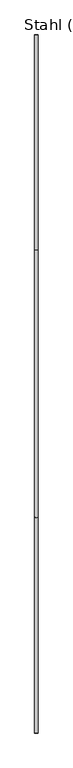
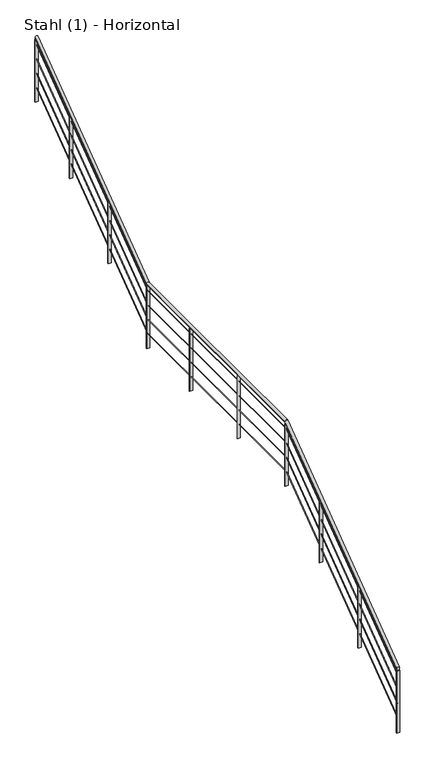
"""IFC4 building model written with IfcOpenShell, lengths in millimetres: railing geometry, Stahl (1) - Horizontal."""

from ifc_helpers import new_model, si_unit, frame, origin, place, context, project, spatial, polyline, ellipse_curve, outline, extrude, source, transform, mapped, element, save
from ifc_brep_helpers import plane_surface, cylinder_surface, advanced_brep


def stahl_1_horizontal_17d473a8(model_context):
    return source(origin(), model_context, "Body", "SolidModel", [
        advanced_brep(
        [(34742.3888375, 17140.3990241, 4785.0587002), (34782.3888375, 17140.3990241, 4785.0587002), (34742.3888375, 19697.0307686, 6690.0), (34782.3888375, 19697.0307686, 6690.0), (34742.3888375, 22869.8979331, 6690.0), (34782.3888375, 22869.8979331, 6690.0), (34742.3888375, 25413.2661887, 8585.0587002), (34782.3888375, 25413.2661887, 8585.0587002)],
        [
            (0, 1, ellipse_curve(frame((34762.3888375, 17140.3990241, 4785.0587002), z_axis=(0.0, -1.0, 0.0), x_axis=(0.0, 0.0, -1.0)), 24.9412998, 20.0)),
            (1, 0, ellipse_curve(frame((34762.3888375, 17140.3990241, 4785.0587002), z_axis=(0.0, -1.0, 0.0), x_axis=(0.0, 0.0, -1.0)), 24.9412998, 20.0)),
            (0, 2),
            (2, 3, ellipse_curve(frame((34762.3888375, 19697.0307686, 6690.0), z_axis=(0.0, -0.9491793370099771, -0.31473574025410656), x_axis=(0.0, 0.3147357402541069, -0.9491793370099768)), 21.0708337, 20.0)),
            (3, 1),
            (3, 2, ellipse_curve(frame((34762.3888375, 19697.0307686, 6690.0), z_axis=(0.0, -0.9491793370099771, -0.31473574025410656), x_axis=(0.0, 0.3147357402541069, -0.9491793370099768)), 21.0708337, 20.0)),
            (2, 4),
            (4, 5, ellipse_curve(frame((34762.3888375, 22869.8979331, 6690.0), z_axis=(0.0, -0.9491793370099771, -0.3147357402541062), x_axis=(0.0, -0.3147357402541062, 0.9491793370099771)), 21.0708337, 20.0)),
            (5, 3),
            (5, 4, ellipse_curve(frame((34762.3888375, 22869.8979331, 6690.0), z_axis=(0.0, -0.9491793370099771, -0.3147357402541062), x_axis=(0.0, -0.3147357402541062, 0.9491793370099771)), 21.0708337, 20.0)),
            (6, 7, ellipse_curve(frame((34762.3888375, 25413.2661887, 8585.0587002), z_axis=(0.0, 1.0, 0.0), x_axis=(0.0, 0.0, -1.0)), 24.9412998, 20.0)),
            (7, 6, ellipse_curve(frame((34762.3888375, 25413.2661887, 8585.0587002), z_axis=(0.0, 1.0, 0.0), x_axis=(0.0, 0.0, -1.0)), 24.9412998, 20.0)),
            (4, 6),
            (7, 5),
        ],
        [
            plane_surface(frame((34762.3888375, 17140.3990241, 4810.0), z_axis=(0.0, -1.0, 0.0), x_axis=(0.0, 0.0, 1.0))),
            cylinder_surface(frame((34762.3888375, 17152.3486506, 4793.9623434), z_axis=(0.0, -0.8018828276133991, -0.5974813225354744), x_axis=(1.0, 0.0, 0.0)), 20.0),
            cylinder_surface(frame((34762.3888375, 19690.3990241, 6690.0), z_axis=(0.0, -1.0, 0.0), x_axis=(1.0, 0.0, 0.0)), 20.0),
            plane_surface(frame((34762.3888375, 25413.2661887, 8610.0), z_axis=(0.0, 1.0, 0.0), x_axis=(0.0, 0.0, 1.0))),
            cylinder_surface(frame((34762.3888375, 22875.2158151, 6693.9623434), z_axis=(0.0, -0.8018828276133996, -0.5974813225354738), x_axis=(1.0, 0.0, 0.0)), 20.0),
        ],
        [
            (0, [[1, 2]]),
            (1, [[-1, 3, 4, 5]]),
            (1, [[-2, -5, 6, -3]]),
            (2, [[-4, 7, 8, 9]]),
            (2, [[-6, -9, 10, -7]]),
            (3, [[11, 12]]),
            (4, [[-8, 13, -12, 14]]),
            (4, [[-10, -14, -11, -13]]),
        ],
    ),
        advanced_brep(
        [(34760.8888375, 17140.3990241, 4688.1294025), (34763.8888375, 17140.3990241, 4688.1294025), (34760.8888375, 19690.8964049, 6588.5), (34763.8888375, 19690.8964049, 6588.5), (34760.8888375, 22863.7635695, 6588.5), (34763.8888375, 22863.7635695, 6588.5), (34760.8888375, 25413.2661887, 8488.1294025), (34763.8888375, 25413.2661887, 8488.1294025)],
        [
            (0, 1, ellipse_curve(frame((34762.3888375, 17140.3990241, 4688.1294025), z_axis=(0.0, -1.0, 0.0), x_axis=(0.0, 0.0, -1.0)), 1.8705975, 1.5)),
            (1, 0, ellipse_curve(frame((34762.3888375, 17140.3990241, 4688.1294025), z_axis=(0.0, -1.0, 0.0), x_axis=(0.0, 0.0, -1.0)), 1.8705975, 1.5)),
            (0, 2),
            (2, 3, ellipse_curve(frame((34762.3888375, 19690.8964049, 6588.5), z_axis=(0.0, -0.9491793370099771, -0.31473574025410656), x_axis=(0.0, 0.3147357402541069, -0.9491793370099768)), 1.5803125, 1.5)),
            (3, 1),
            (3, 2, ellipse_curve(frame((34762.3888375, 19690.8964049, 6588.5), z_axis=(0.0, -0.9491793370099771, -0.31473574025410656), x_axis=(0.0, 0.3147357402541069, -0.9491793370099768)), 1.5803125, 1.5)),
            (2, 4),
            (4, 5, ellipse_curve(frame((34762.3888375, 22863.7635695, 6588.5), z_axis=(0.0, -0.9491793370099771, -0.3147357402541062), x_axis=(0.0, -0.3147357402541062, 0.9491793370099771)), 1.5803125, 1.5)),
            (5, 3),
            (5, 4, ellipse_curve(frame((34762.3888375, 22863.7635695, 6588.5), z_axis=(0.0, -0.9491793370099771, -0.3147357402541062), x_axis=(0.0, -0.3147357402541062, 0.9491793370099771)), 1.5803125, 1.5)),
            (6, 7, ellipse_curve(frame((34762.3888375, 25413.2661887, 8488.1294025), z_axis=(0.0, 1.0, 0.0), x_axis=(0.0, 0.0, -1.0)), 1.8705975, 1.5)),
            (7, 6, ellipse_curve(frame((34762.3888375, 25413.2661887, 8488.1294025), z_axis=(0.0, 1.0, 0.0), x_axis=(0.0, 0.0, -1.0)), 1.8705975, 1.5)),
            (4, 6),
            (7, 5),
        ],
        [
            plane_surface(frame((34762.3888375, 17140.3990241, 4690.0), z_axis=(0.0, -1.0, 0.0), x_axis=(0.0, 0.0, 1.0))),
            cylinder_surface(frame((34762.3888375, 17141.2952461, 4688.7971758), z_axis=(0.0, -0.8018828276133991, -0.5974813225354744), x_axis=(1.0, 0.0, 0.0)), 1.5),
            cylinder_surface(frame((34762.3888375, 19690.3990241, 6588.5), z_axis=(0.0, -1.0, 0.0), x_axis=(1.0, 0.0, 0.0)), 1.5),
            plane_surface(frame((34762.3888375, 25413.2661887, 8490.0), z_axis=(0.0, 1.0, 0.0), x_axis=(0.0, 0.0, 1.0))),
            cylinder_surface(frame((34762.3888375, 22864.1624107, 6588.7971758), z_axis=(0.0, -0.8018828276133996, -0.5974813225354738), x_axis=(1.0, 0.0, 0.0)), 1.5),
        ],
        [
            (0, [[1, 2]]),
            (1, [[-1, 3, 4, 5]]),
            (1, [[-2, -5, 6, -3]]),
            (2, [[-4, 7, 8, 9]]),
            (2, [[-6, -9, 10, -7]]),
            (3, [[11, 12]]),
            (4, [[-8, 13, -12, 14]]),
            (4, [[-10, -14, -11, -13]]),
        ],
    ),
        advanced_brep(
        [(34760.8888375, 17140.3990241, 4488.1294025), (34763.8888375, 17140.3990241, 4488.1294025), (34760.8888375, 19690.8964049, 6388.5), (34763.8888375, 19690.8964049, 6388.5), (34760.8888375, 22863.7635695, 6388.5), (34763.8888375, 22863.7635695, 6388.5), (34760.8888375, 25413.2661887, 8288.1294025), (34763.8888375, 25413.2661887, 8288.1294025)],
        [
            (0, 1, ellipse_curve(frame((34762.3888375, 17140.3990241, 4488.1294025), z_axis=(0.0, -1.0, 0.0), x_axis=(0.0, 0.0, -1.0)), 1.8705975, 1.5)),
            (1, 0, ellipse_curve(frame((34762.3888375, 17140.3990241, 4488.1294025), z_axis=(0.0, -1.0, 0.0), x_axis=(0.0, 0.0, -1.0)), 1.8705975, 1.5)),
            (0, 2),
            (2, 3, ellipse_curve(frame((34762.3888375, 19690.8964049, 6388.5), z_axis=(0.0, -0.9491793370099771, -0.31473574025410656), x_axis=(0.0, 0.3147357402541069, -0.9491793370099768)), 1.5803125, 1.5)),
            (3, 1),
            (3, 2, ellipse_curve(frame((34762.3888375, 19690.8964049, 6388.5), z_axis=(0.0, -0.9491793370099771, -0.31473574025410656), x_axis=(0.0, 0.3147357402541069, -0.9491793370099768)), 1.5803125, 1.5)),
            (2, 4),
            (4, 5, ellipse_curve(frame((34762.3888375, 22863.7635695, 6388.5), z_axis=(0.0, -0.9491793370099771, -0.3147357402541062), x_axis=(0.0, -0.3147357402541062, 0.9491793370099771)), 1.5803125, 1.5)),
            (5, 3),
            (5, 4, ellipse_curve(frame((34762.3888375, 22863.7635695, 6388.5), z_axis=(0.0, -0.9491793370099771, -0.3147357402541062), x_axis=(0.0, -0.3147357402541062, 0.9491793370099771)), 1.5803125, 1.5)),
            (6, 7, ellipse_curve(frame((34762.3888375, 25413.2661887, 8288.1294025), z_axis=(0.0, 1.0, 0.0), x_axis=(0.0, 0.0, -1.0)), 1.8705975, 1.5)),
            (7, 6, ellipse_curve(frame((34762.3888375, 25413.2661887, 8288.1294025), z_axis=(0.0, 1.0, 0.0), x_axis=(0.0, 0.0, -1.0)), 1.8705975, 1.5)),
            (4, 6),
            (7, 5),
        ],
        [
            plane_surface(frame((34762.3888375, 17140.3990241, 4490.0), z_axis=(0.0, -1.0, 0.0), x_axis=(0.0, 0.0, 1.0))),
            cylinder_surface(frame((34762.3888375, 17141.2952461, 4488.7971758), z_axis=(0.0, -0.8018828276133991, -0.5974813225354744), x_axis=(1.0, 0.0, 0.0)), 1.5),
            cylinder_surface(frame((34762.3888375, 19690.3990241, 6388.5), z_axis=(0.0, -1.0, 0.0), x_axis=(1.0, 0.0, 0.0)), 1.5),
            plane_surface(frame((34762.3888375, 25413.2661887, 8290.0), z_axis=(0.0, 1.0, 0.0), x_axis=(0.0, 0.0, 1.0))),
            cylinder_surface(frame((34762.3888375, 22864.1624107, 6388.7971758), z_axis=(0.0, -0.8018828276133996, -0.5974813225354738), x_axis=(1.0, 0.0, 0.0)), 1.5),
        ],
        [
            (0, [[1, 2]]),
            (1, [[-1, 3, 4, 5]]),
            (1, [[-2, -5, 6, -3]]),
            (2, [[-4, 7, 8, 9]]),
            (2, [[-6, -9, 10, -7]]),
            (3, [[11, 12]]),
            (4, [[-8, 13, -12, 14]]),
            (4, [[-10, -14, -11, -13]]),
        ],
    ),
        advanced_brep(
        [(34760.8888375, 17140.3990241, 4288.1294025), (34763.8888375, 17140.3990241, 4288.1294025), (34760.8888375, 19690.8964049, 6188.5), (34763.8888375, 19690.8964049, 6188.5), (34760.8888375, 22863.7635695, 6188.5), (34763.8888375, 22863.7635695, 6188.5), (34760.8888375, 25413.2661887, 8088.1294025), (34763.8888375, 25413.2661887, 8088.1294025)],
        [
            (0, 1, ellipse_curve(frame((34762.3888375, 17140.3990241, 4288.1294025), z_axis=(0.0, -1.0, 0.0), x_axis=(0.0, 0.0, -1.0)), 1.8705975, 1.5)),
            (1, 0, ellipse_curve(frame((34762.3888375, 17140.3990241, 4288.1294025), z_axis=(0.0, -1.0, 0.0), x_axis=(0.0, 0.0, -1.0)), 1.8705975, 1.5)),
            (0, 2),
            (2, 3, ellipse_curve(frame((34762.3888375, 19690.8964049, 6188.5), z_axis=(0.0, -0.9491793370099771, -0.31473574025410656), x_axis=(0.0, 0.3147357402541069, -0.9491793370099768)), 1.5803125, 1.5)),
            (3, 1),
            (3, 2, ellipse_curve(frame((34762.3888375, 19690.8964049, 6188.5), z_axis=(0.0, -0.9491793370099771, -0.31473574025410656), x_axis=(0.0, 0.3147357402541069, -0.9491793370099768)), 1.5803125, 1.5)),
            (2, 4),
            (4, 5, ellipse_curve(frame((34762.3888375, 22863.7635695, 6188.5), z_axis=(0.0, -0.9491793370099771, -0.3147357402541062), x_axis=(0.0, -0.3147357402541062, 0.9491793370099771)), 1.5803125, 1.5)),
            (5, 3),
            (5, 4, ellipse_curve(frame((34762.3888375, 22863.7635695, 6188.5), z_axis=(0.0, -0.9491793370099771, -0.3147357402541062), x_axis=(0.0, -0.3147357402541062, 0.9491793370099771)), 1.5803125, 1.5)),
            (6, 7, ellipse_curve(frame((34762.3888375, 25413.2661887, 8088.1294025), z_axis=(0.0, 1.0, 0.0), x_axis=(0.0, 0.0, -1.0)), 1.8705975, 1.5)),
            (7, 6, ellipse_curve(frame((34762.3888375, 25413.2661887, 8088.1294025), z_axis=(0.0, 1.0, 0.0), x_axis=(0.0, 0.0, -1.0)), 1.8705975, 1.5)),
            (4, 6),
            (7, 5),
        ],
        [
            plane_surface(frame((34762.3888375, 17140.3990241, 4290.0), z_axis=(0.0, -1.0, 0.0), x_axis=(0.0, 0.0, 1.0))),
            cylinder_surface(frame((34762.3888375, 17141.2952461, 4288.7971758), z_axis=(0.0, -0.8018828276133991, -0.5974813225354744), x_axis=(1.0, 0.0, 0.0)), 1.5),
            cylinder_surface(frame((34762.3888375, 19690.3990241, 6188.5), z_axis=(0.0, -1.0, 0.0), x_axis=(1.0, 0.0, 0.0)), 1.5),
            plane_surface(frame((34762.3888375, 25413.2661887, 8090.0), z_axis=(0.0, 1.0, 0.0), x_axis=(0.0, 0.0, 1.0))),
            cylinder_surface(frame((34762.3888375, 22864.1624107, 6188.7971758), z_axis=(0.0, -0.8018828276133996, -0.5974813225354738), x_axis=(1.0, 0.0, 0.0)), 1.5),
        ],
        [
            (0, [[1, 2]]),
            (1, [[-1, 3, 4, 5]]),
            (1, [[-2, -5, 6, -3]]),
            (2, [[-4, 7, 8, 9]]),
            (2, [[-6, -9, 10, -7]]),
            (3, [[11, 12]]),
            (4, [[-8, 13, -12, 14]]),
            (4, [[-10, -14, -11, -13]]),
        ],
    ),
        advanced_brep(
        [(34760.8888375, 17140.3990241, 4088.1294025), (34763.8888375, 17140.3990241, 4088.1294025), (34760.8888375, 19690.8964049, 5988.5), (34763.8888375, 19690.8964049, 5988.5), (34760.8888375, 22863.7635695, 5988.5), (34763.8888375, 22863.7635695, 5988.5), (34760.8888375, 25413.2661887, 7888.1294025), (34763.8888375, 25413.2661887, 7888.1294025)],
        [
            (0, 1, ellipse_curve(frame((34762.3888375, 17140.3990241, 4088.1294025), z_axis=(0.0, -1.0, 0.0), x_axis=(0.0, 0.0, -1.0)), 1.8705975, 1.5)),
            (1, 0, ellipse_curve(frame((34762.3888375, 17140.3990241, 4088.1294025), z_axis=(0.0, -1.0, 0.0), x_axis=(0.0, 0.0, -1.0)), 1.8705975, 1.5)),
            (0, 2),
            (2, 3, ellipse_curve(frame((34762.3888375, 19690.8964049, 5988.5), z_axis=(0.0, -0.9491793370099771, -0.31473574025410656), x_axis=(0.0, 0.3147357402541069, -0.9491793370099768)), 1.5803125, 1.5)),
            (3, 1),
            (3, 2, ellipse_curve(frame((34762.3888375, 19690.8964049, 5988.5), z_axis=(0.0, -0.9491793370099771, -0.31473574025410656), x_axis=(0.0, 0.3147357402541069, -0.9491793370099768)), 1.5803125, 1.5)),
            (2, 4),
            (4, 5, ellipse_curve(frame((34762.3888375, 22863.7635695, 5988.5), z_axis=(0.0, -0.9491793370099771, -0.3147357402541062), x_axis=(0.0, -0.3147357402541062, 0.9491793370099771)), 1.5803125, 1.5)),
            (5, 3),
            (5, 4, ellipse_curve(frame((34762.3888375, 22863.7635695, 5988.5), z_axis=(0.0, -0.9491793370099771, -0.3147357402541062), x_axis=(0.0, -0.3147357402541062, 0.9491793370099771)), 1.5803125, 1.5)),
            (6, 7, ellipse_curve(frame((34762.3888375, 25413.2661887, 7888.1294025), z_axis=(0.0, 1.0, 0.0), x_axis=(0.0, 0.0, -1.0)), 1.8705975, 1.5)),
            (7, 6, ellipse_curve(frame((34762.3888375, 25413.2661887, 7888.1294025), z_axis=(0.0, 1.0, 0.0), x_axis=(0.0, 0.0, -1.0)), 1.8705975, 1.5)),
            (4, 6),
            (7, 5),
        ],
        [
            plane_surface(frame((34762.3888375, 17140.3990241, 4090.0), z_axis=(0.0, -1.0, 0.0), x_axis=(0.0, 0.0, 1.0))),
            cylinder_surface(frame((34762.3888375, 17141.2952461, 4088.7971758), z_axis=(0.0, -0.8018828276133991, -0.5974813225354744), x_axis=(1.0, 0.0, 0.0)), 1.5),
            cylinder_surface(frame((34762.3888375, 19690.3990241, 5988.5), z_axis=(0.0, -1.0, 0.0), x_axis=(1.0, 0.0, 0.0)), 1.5),
            plane_surface(frame((34762.3888375, 25413.2661887, 7890.0), z_axis=(0.0, 1.0, 0.0), x_axis=(0.0, 0.0, 1.0))),
            cylinder_surface(frame((34762.3888375, 22864.1624107, 5988.7971758), z_axis=(0.0, -0.8018828276133996, -0.5974813225354738), x_axis=(1.0, 0.0, 0.0)), 1.5),
        ],
        [
            (0, [[1, 2]]),
            (1, [[-1, 3, 4, 5]]),
            (1, [[-2, -5, 6, -3]]),
            (2, [[-4, 7, 8, 9]]),
            (2, [[-6, -9, 10, -7]]),
            (3, [[11, 12]]),
            (4, [[-8, 13, -12, 14]]),
            (4, [[-10, -14, -11, -13]]),
        ],
    ),
        extrude(outline(polyline([(24617.8868783, 7100.3448276), (24617.8868783, 7967.4818358), (24625.8868783, 7973.4426202), (24625.8868783, 7100.3448276), (24617.8868783, 7100.3448276)])), frame((34742.3888375, 0.0, 0.0), z_axis=(1.0, 0.0, 0.0), x_axis=(0.0, 1.0, 0.0)), (0.0, 0.0, 1.0), 40.0),
        extrude(outline(polyline([(23738.5765335, 6445.1724138), (23738.5765335, 7312.3094221), (23746.5765335, 7318.2702064), (23746.5765335, 6445.1724138), (23738.5765335, 6445.1724138)])), frame((34742.3888375, 0.0, 0.0), z_axis=(1.0, 0.0, 0.0), x_axis=(0.0, 1.0, 0.0)), (0.0, 0.0, 1.0), 40.0),
        extrude(outline(polyline([(34782.3888375, 21874.5832755), (34742.3888375, 21874.5832755), (34742.3888375, 21882.5832755), (34782.3888375, 21882.5832755), (34782.3888375, 21874.5832755)])), frame((0.0, 0.0, 5790.0), z_axis=(0.0, 0.0, 1.0), x_axis=(1.0, 0.0, 0.0)), (0.0, 0.0, 1.0), 880.0),
        extrude(outline(polyline([(34782.3888375, 20780.4911498), (34742.3888375, 20780.4911498), (34742.3888375, 20788.4911498), (34782.3888375, 20788.4911498), (34782.3888375, 20780.4911498)])), frame((0.0, 0.0, 5790.0), z_axis=(0.0, 0.0, 1.0), x_axis=(1.0, 0.0, 0.0)), (0.0, 0.0, 1.0), 880.0),
        extrude(outline(polyline([(18895.0197138, 5200.3448276), (18895.0197138, 6067.4818358), (18903.0197138, 6073.4426202), (18903.0197138, 5200.3448276), (18895.0197138, 5200.3448276)])), frame((34742.3888375, 0.0, 0.0), z_axis=(1.0, 0.0, 0.0), x_axis=(0.0, 1.0, 0.0)), (0.0, 0.0, 1.0), 40.0),
        extrude(outline(polyline([(18015.7093689, 4545.1724138), (18015.7093689, 5412.3094221), (18023.7093689, 5418.2702064), (18023.7093689, 4545.1724138), (18015.7093689, 4545.1724138)])), frame((34742.3888375, 0.0, 0.0), z_axis=(1.0, 0.0, 0.0), x_axis=(0.0, 1.0, 0.0)), (0.0, 0.0, 1.0), 40.0),
        extrude(outline(polyline([(34782.3888375, 22859.2661887), (34742.3888375, 22859.2661887), (34742.3888375, 22867.2661887), (34782.3888375, 22867.2661887), (34782.3888375, 22859.2661887)])), frame((0.0, 0.0, 5790.0), z_axis=(0.0, 0.0, 1.0), x_axis=(1.0, 0.0, 0.0)), (0.0, 0.0, 1.0), 880.0),
        extrude(outline(polyline([(19686.3990241, 5790.0), (19686.3990241, 6657.1370083), (19694.3990241, 6663.0977926), (19694.3990241, 5790.0), (19686.3990241, 5790.0)])), frame((34742.3888375, 0.0, 0.0), z_axis=(1.0, 0.0, 0.0), x_axis=(0.0, 1.0, 0.0)), (0.0, 0.0, 1.0), 40.0),
        extrude(outline(polyline([(25409.2661887, 7690.0), (25409.2661887, 8557.1370083), (25417.2661887, 8563.0977926), (25417.2661887, 7690.0), (25409.2661887, 7690.0)])), frame((34742.3888375, 0.0, 0.0), z_axis=(1.0, 0.0, 0.0), x_axis=(0.0, 1.0, 0.0)), (0.0, 0.0, 1.0), 40.0),
        extrude(outline(polyline([(17136.3990241, 3890.0), (17136.3990241, 4757.1370083), (17144.3990241, 4763.0977926), (17144.3990241, 3890.0), (17136.3990241, 3890.0)])), frame((34742.3888375, 0.0, 0.0), z_axis=(1.0, 0.0, 0.0), x_axis=(0.0, 1.0, 0.0)), (0.0, 0.0, 1.0), 40.0),
    ])


if __name__ == "__main__":
    model = new_model("IFC4")
    model_context = context("Model", 3, world=origin())
    ifc_project = project(units=[si_unit("LENGTHUNIT", "METRE", prefix="MILLI")], contexts=[model_context])
    site = spatial("IfcSite", under=ifc_project)
    building = spatial("IfcBuilding", under=site)
    placement = place(None, origin())
    stahl_1_horizontal_shape = stahl_1_horizontal_17d473a8(model_context)
    element("IfcRailing", 1, ObjectType="Stahl (1) - Horizontal", at=placement, inside=building, context=model_context, shape_type="MappedRepresentation", body=[
        mapped(stahl_1_horizontal_shape, transform((0.0, 0.0, 0.0), x_axis=(1.0, 0.0, 0.0), y_axis=(0.0, 1.0, 0.0), z_axis=(0.0, 0.0, 1.0))),
    ])
    save(model, "model.ifc")
